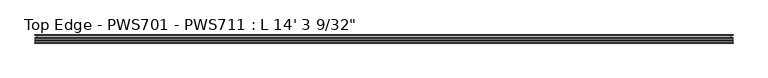
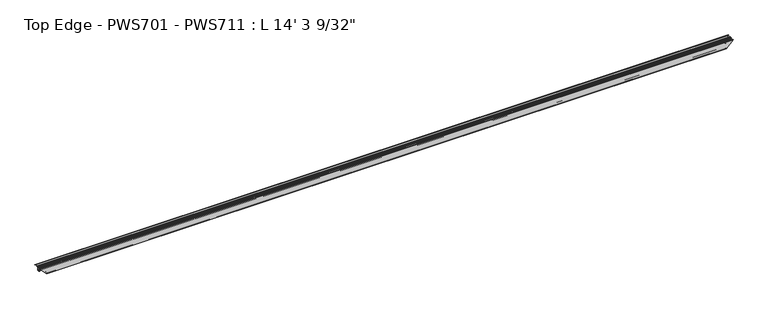
"""IFC4 building model written with IfcOpenShell, lengths in millimetres: proxy geometry."""

from ifc_helpers import new_model, si_unit, point, frame, frame_2d, origin, place, context, project, spatial, polyline, circle_curve, ellipse_curve, trimmed, segment, composite_curve, outline, extrude, source, transform, mapped, element, save
from ifc_brep_helpers import plane_surface, cylinder_surface, revolved_surface, advanced_brep


def proxy_9cc9b7ef(model_context):
    return source(origin(), model_context, "Body", "SolidModel", [
        extrude(outline(composite_curve([segment(trimmed(circle_curve(frame_2d((44.7430936, 1.1429206)), 1.1429206), [point((44.7430936, 0.0))], [point((43.6245, 0.9083659))], False, "CARTESIAN"), True, "CONTINUOUS"), segment(polyline([(43.6245, 0.9083659), (43.6245, 1.6997088), (44.5135, 1.6997088), (44.5135, 4.207924)]), True, "CONTINUOUS"), segment(trimmed(circle_curve(frame_2d((41.4694327, 3.2089841)), 3.2037832), [point((44.5135, 4.207924))], [point((42.1005, 6.35))], True, "CARTESIAN"), True, "CONTINUOUS"), segment(trimmed(circle_curve(frame_2d((42.7315673, 3.2089841)), 3.2037832), [point((42.1005, 6.35))], [point((39.6875, 4.207924))], True, "CARTESIAN"), True, "CONTINUOUS"), segment(polyline([(39.6875, 4.207924), (39.6875, 1.6997088), (40.5340531, 1.6997088)]), True, "CONTINUOUS"), segment(trimmed(circle_curve(frame_2d((39.4755121, 1.3351034)), 1.1195742), [point((40.5340531, 1.6997088))], [point((40.4372806, 0.762))], False, "CARTESIAN"), True, "CONTINUOUS"), segment(polyline([(40.4372806, 0.762), (38.1, 0.762), (38.1, 4.4357599)]), True, "CONTINUOUS"), segment(trimmed(circle_curve(frame_2d((42.7315673, 3.2089841)), 4.7912832), [point((38.1, 4.4357599))], [point((42.1005, 7.9585261))], False, "CARTESIAN"), True, "CONTINUOUS"), segment(trimmed(circle_curve(frame_2d((41.4694327, 3.2089841)), 4.7912832), [point((42.1005, 7.9585261))], [point((46.101, 4.4357599))], False, "CARTESIAN"), True, "CONTINUOUS"), segment(polyline([(46.101, 4.4357599), (46.101, 2.38252)]), True, "CONTINUOUS"), segment(trimmed(circle_curve(frame_2d((46.89602, 2.38252)), 0.79502), [point((46.101, 2.38252))], [point((46.89602, 1.5875))], True, "CARTESIAN"), True, "CONTINUOUS"), segment(polyline([(46.89602, 1.5875), (48.3102252, 1.5875)]), True, "CONTINUOUS"), segment(trimmed(circle_curve(frame_2d((48.3102252, 2.38252)), 0.79502), [point((48.3102252, 1.5875))], [point((49.1052452, 2.38252))], True, "CARTESIAN"), True, "CONTINUOUS"), segment(polyline([(49.1052452, 2.38252), (49.1052452, 23.2016903)]), True, "CONTINUOUS"), segment(trimmed(circle_curve(frame_2d((44.0047652, 21.7797652)), 5.2949756), [point((49.1052452, 23.2016903))], [point((44.9619826, 26.9875))], True, "CARTESIAN"), True, "CONTINUOUS"), segment(polyline([(44.9619826, 26.9875), (34.76625, 26.9875)]), True, "CONTINUOUS"), segment(trimmed(circle_curve(frame_2d((34.76625, 27.78125)), 0.79375), [point((34.76625, 26.9875))], [point((34.76625, 28.575))], False, "CARTESIAN"), True, "CONTINUOUS"), segment(polyline([(34.76625, 28.575), (49.2125, 28.575), (49.2125, 26.543), (50.8, 26.543), (50.8, 0.0), (44.7430936, 0.0)]), True, "CONTINUOUS")], self_intersect=False)), frame((17.9109688, 0.0, 0.0), z_axis=(1.0, 0.0, 0.0), x_axis=(0.0, 1.0, 0.0)), (0.0, 0.0, 1.0), 4314.7257812),
        advanced_brep(
        [(4306.09375, 0.0, 0.0), (44.45, 0.0, 0.0), (44.45, 6.0569064, 0.0), (4306.09375, 6.0569064, 0.0), (43.5416341, 7.1755, 0.9083659), (4307.0021159, 7.1755, 0.9083659), (42.7502912, 7.1755, 1.6997088), (4307.7934588, 7.1755, 1.6997088), (42.7502912, 6.2865, 1.6997088), (4307.7934588, 6.2865, 1.6997088), (40.242076, 6.2865, 4.207924), (4310.301674, 6.2865, 4.207924), (38.1, 8.6995, 6.35), (4312.44375, 8.6995, 6.35), (40.242076, 11.1125, 4.207924), (4310.301674, 11.1125, 4.207924), (42.7502912, 11.1125, 1.6997088), (4307.7934588, 11.1125, 1.6997088), (42.7502912, 10.2659469, 1.6997088), (4307.7934588, 10.2659469, 1.6997088), (43.688, 10.3627194, 0.762), (4306.85575, 10.3627194, 0.762), (43.688, 12.7, 0.762), (4306.85575, 12.7, 0.762), (40.0142401, 12.7, 4.4357599), (4310.5295099, 12.7, 4.4357599), (36.4914739, 8.6995, 7.9585261), (4314.0522761, 8.6995, 7.9585261), (40.0142401, 4.699, 4.4357599), (4310.5295099, 4.699, 4.4357599), (42.8625, 4.699, 1.5875), (4307.68125, 4.699, 1.5875), (42.8625, 3.175, 1.5875), (4307.68125, 3.175, 1.5875), (41.275, 1.5875, 3.175), (4309.26875, 1.5875, 3.175), (19.05, 1.5875, 25.4), (4331.49375, 1.5875, 25.4), (6.35, 2.38252, 38.1), (4344.19375, 2.38252, 38.1), (4.7625, 3.97002, 39.6875), (4345.78125, 3.97002, 39.6875), (4.7625, 15.875, 39.6875), (4345.78125, 15.875, 39.6875), (6.35, 17.4625, 38.1), (4344.19375, 17.4625, 38.1), (15.875, 17.4625, 28.575), (4334.66875, 17.4625, 28.575), (17.4625, 15.875, 26.9875), (4333.08125, 15.875, 26.9875), (19.05, 15.875, 25.4), (4331.49375, 15.875, 25.4), (19.05, 19.05, 25.4), (4331.49375, 19.05, 25.4), (6.35, 19.05, 38.1), (4344.19375, 19.05, 38.1), (4.7625, 20.6375, 39.6875), (4345.78125, 20.6375, 39.6875), (4.7625, 30.1625, 39.6875), (4345.78125, 30.1625, 39.6875), (6.35, 31.75, 38.1), (4344.19375, 31.75, 38.1), (19.05, 31.75, 25.4), (4331.49375, 31.75, 25.4), (19.05, 36.35375, 25.4), (4331.49375, 36.35375, 25.4), (18.25752, 36.35375, 26.19248), (4332.28623, 36.35375, 26.19248), (17.4625, 35.55873, 26.9875), (4333.08125, 35.55873, 26.9875), (17.4625, 33.9725, 26.9875), (4333.08125, 33.9725, 26.9875), (15.875, 33.9725, 28.575), (4334.66875, 33.9725, 28.575), (15.875, 49.2125, 28.575), (4334.66875, 49.2125, 28.575), (17.907, 49.2125, 26.543), (4332.63675, 49.2125, 26.543), (17.907, 50.8, 26.543), (4332.63675, 50.8, 26.543), (0.0, 50.8, 44.45), (4350.54375, 50.8, 44.45), (0.0, 49.2125, 44.45), (4350.54375, 49.2125, 44.45), (12.7, 49.2125, 31.75), (4337.84375, 49.2125, 31.75), (14.2875, 47.625, 30.1625), (4336.25625, 47.625, 30.1625), (14.2875, 34.925, 30.1625), (4336.25625, 34.925, 30.1625), (12.7, 33.3375, 31.75), (4337.84375, 33.3375, 31.75), (0.0, 33.3375, 44.45), (4350.54375, 33.3375, 44.45), (0.0, 31.75, 44.45), (4350.54375, 31.75, 44.45), (1.5875, 31.75, 42.8625), (4348.95625, 31.75, 42.8625), (3.175, 30.1625, 41.275), (4347.36875, 30.1625, 41.275), (3.175, 20.6375, 41.275), (4347.36875, 20.6375, 41.275), (1.5875, 19.05, 42.8625), (4348.95625, 19.05, 42.8625), (0.0, 19.05, 44.45), (4350.54375, 19.05, 44.45), (0.0, 17.4625, 44.45), (4350.54375, 17.4625, 44.45), (1.5875, 17.4625, 42.8625), (4348.95625, 17.4625, 42.8625), (3.175, 15.875, 41.275), (4347.36875, 15.875, 41.275), (3.175, 3.175, 41.275), (4347.36875, 3.175, 41.275), (1.5875, 1.5875, 42.8625), (4348.95625, 1.5875, 42.8625), (0.0, 1.5875, 44.45), (4350.54375, 1.5875, 44.45), (0.0, 0.0, 44.45), (4350.54375, 0.0, 44.45)],
        [
            (0, 1),
            (1, 2),
            (2, 3),
            (3, 0),
            (2, 4, ellipse_curve(frame((43.3070794, 6.0569064, 1.1429206), z_axis=(0.707106781186549, 0.0, 0.7071067811865461), x_axis=(0.707106781186546, 0.0, -0.7071067811865491)), 1.6163338, 1.1429206)),
            (4, 5),
            (5, 3, ellipse_curve(frame((4307.2366706, 6.0569064, 1.1429206), z_axis=(-0.7071067811865475, 0.0, 0.7071067811865477), x_axis=(0.7071067811865475, 0.0, 0.7071067811865475)), 1.6163338, 1.1429206)),
            (4, 6),
            (6, 7),
            (7, 5),
            (6, 8),
            (8, 9),
            (9, 7),
            (8, 10),
            (10, 11),
            (11, 9),
            (10, 12, ellipse_curve(frame((41.2410159, 9.3305673, 3.2089841), z_axis=(-0.707106781186549, 0.0, -0.7071067811865461), x_axis=(-0.707106781186546, 0.0, 0.7071067811865491)), 4.5308337, 3.2037832)),
            (12, 13),
            (13, 11, ellipse_curve(frame((4309.3027341, 9.3305673, 3.2089841), z_axis=(0.7071067811865475, 0.0, -0.7071067811865477), x_axis=(-0.7071067811865475, 0.0, -0.7071067811865475)), 4.5308337, 3.2037832)),
            (12, 14, ellipse_curve(frame((41.2410159, 8.0684327, 3.2089841), z_axis=(-0.707106781186549, 0.0, -0.7071067811865461), x_axis=(-0.707106781186546, 0.0, 0.7071067811865491)), 4.5308337, 3.2037832)),
            (14, 15),
            (15, 13, ellipse_curve(frame((4309.3027341, 8.0684327, 3.2089841), z_axis=(0.7071067811865475, 0.0, -0.7071067811865477), x_axis=(-0.7071067811865475, 0.0, -0.7071067811865475)), 4.5308337, 3.2037832)),
            (14, 16),
            (16, 17),
            (17, 15),
            (16, 18),
            (18, 19),
            (19, 17),
            (18, 20, ellipse_curve(frame((43.1148966, 11.3244879, 1.3351034), z_axis=(0.707106781186549, 0.0, 0.7071067811865461), x_axis=(0.707106781186546, 0.0, -0.7071067811865491)), 1.583317, 1.1195742)),
            (20, 21),
            (21, 19, ellipse_curve(frame((4307.4288534, 11.3244879, 1.3351034), z_axis=(-0.7071067811865475, 0.0, 0.7071067811865477), x_axis=(0.7071067811865475, 0.0, 0.7071067811865475)), 1.583317, 1.1195742)),
            (20, 22),
            (22, 23),
            (23, 21),
            (22, 24),
            (24, 25),
            (25, 23),
            (24, 26, ellipse_curve(frame((41.2410159, 8.0684327, 3.2089841), z_axis=(0.707106781186549, 0.0, 0.7071067811865461), x_axis=(0.707106781186546, 0.0, -0.7071067811865491)), 6.7758977, 4.7912832)),
            (26, 27),
            (27, 25, ellipse_curve(frame((4309.3027341, 8.0684327, 3.2089841), z_axis=(-0.7071067811865475, 0.0, 0.7071067811865477), x_axis=(0.7071067811865475, 0.0, 0.7071067811865475)), 6.7758977, 4.7912832)),
            (26, 28, ellipse_curve(frame((41.2410159, 9.3305673, 3.2089841), z_axis=(0.707106781186549, 0.0, 0.7071067811865461), x_axis=(0.707106781186546, 0.0, -0.7071067811865491)), 6.7758977, 4.7912832)),
            (28, 29),
            (29, 27, ellipse_curve(frame((4309.3027341, 9.3305673, 3.2089841), z_axis=(-0.7071067811865475, 0.0, 0.7071067811865477), x_axis=(0.7071067811865475, 0.0, 0.7071067811865475)), 6.7758977, 4.7912832)),
            (28, 30),
            (30, 31),
            (31, 29),
            (30, 32),
            (32, 33),
            (33, 31),
            (32, 34, ellipse_curve(frame((41.275, 3.175, 3.175), z_axis=(-0.707106781186549, 0.0, -0.7071067811865461), x_axis=(-0.707106781186546, 0.0, 0.7071067811865491)), 2.245064, 1.5875)),
            (34, 35),
            (35, 33, ellipse_curve(frame((4309.26875, 3.175, 3.175), z_axis=(0.7071067811865475, 0.0, -0.7071067811865477), x_axis=(-0.7071067811865475, 0.0, -0.7071067811865475)), 2.245064, 1.5875)),
            (34, 36),
            (36, 37),
            (37, 35),
            (36, 38),
            (38, 39),
            (39, 37),
            (38, 40, ellipse_curve(frame((6.35, 3.97002, 38.1), z_axis=(-0.707106781186549, 0.0, -0.7071067811865461), x_axis=(-0.707106781186546, 0.0, 0.7071067811865491)), 2.245064, 1.5875)),
            (40, 41),
            (41, 39, ellipse_curve(frame((4344.19375, 3.97002, 38.1), z_axis=(0.7071067811865475, 0.0, -0.7071067811865477), x_axis=(-0.7071067811865475, 0.0, -0.7071067811865475)), 2.245064, 1.5875)),
            (40, 42),
            (42, 43),
            (43, 41),
            (42, 44, ellipse_curve(frame((6.35, 15.875, 38.1), z_axis=(-0.707106781186549, 0.0, -0.7071067811865461), x_axis=(-0.707106781186546, 0.0, 0.7071067811865491)), 2.245064, 1.5875)),
            (44, 45),
            (45, 43, ellipse_curve(frame((4344.19375, 15.875, 38.1), z_axis=(0.7071067811865475, 0.0, -0.7071067811865477), x_axis=(-0.7071067811865475, 0.0, -0.7071067811865475)), 2.245064, 1.5875)),
            (44, 46),
            (46, 47),
            (47, 45),
            (46, 48, ellipse_curve(frame((15.875, 15.875, 28.575), z_axis=(-0.707106781186549, 0.0, -0.7071067811865461), x_axis=(-0.707106781186546, 0.0, 0.7071067811865491)), 2.245064, 1.5875)),
            (48, 49),
            (49, 47, ellipse_curve(frame((4334.66875, 15.875, 28.575), z_axis=(0.7071067811865475, 0.0, -0.7071067811865477), x_axis=(-0.7071067811865475, 0.0, -0.7071067811865475)), 2.245064, 1.5875)),
            (48, 50),
            (50, 51),
            (51, 49),
            (50, 52),
            (52, 53),
            (53, 51),
            (52, 54),
            (54, 55),
            (55, 53),
            (54, 56, ellipse_curve(frame((6.35, 20.6375, 38.1), z_axis=(-0.707106781186549, 0.0, -0.7071067811865461), x_axis=(-0.707106781186546, 0.0, 0.7071067811865491)), 2.245064, 1.5875)),
            (56, 57),
            (57, 55, ellipse_curve(frame((4344.19375, 20.6375, 38.1), z_axis=(0.7071067811865475, 0.0, -0.7071067811865477), x_axis=(-0.7071067811865475, 0.0, -0.7071067811865475)), 2.245064, 1.5875)),
            (56, 58),
            (58, 59),
            (59, 57),
            (58, 60, ellipse_curve(frame((6.35, 30.1625, 38.1), z_axis=(-0.707106781186549, 0.0, -0.7071067811865461), x_axis=(-0.707106781186546, 0.0, 0.7071067811865491)), 2.245064, 1.5875)),
            (60, 61),
            (61, 59, ellipse_curve(frame((4344.19375, 30.1625, 38.1), z_axis=(0.7071067811865475, 0.0, -0.7071067811865477), x_axis=(-0.7071067811865475, 0.0, -0.7071067811865475)), 2.245064, 1.5875)),
            (60, 62),
            (62, 63),
            (63, 61),
            (62, 64),
            (64, 65),
            (65, 63),
            (64, 66),
            (66, 67),
            (67, 65),
            (66, 68, ellipse_curve(frame((18.25752, 35.55873, 26.19248), z_axis=(0.707106781186549, 0.0, 0.7071067811865461), x_axis=(0.707106781186546, 0.0, -0.7071067811865491)), 1.1243281, 0.79502)),
            (68, 69),
            (69, 67, ellipse_curve(frame((4332.28623, 35.55873, 26.19248), z_axis=(-0.7071067811865475, 0.0, 0.7071067811865477), x_axis=(0.7071067811865475, 0.0, 0.7071067811865475)), 1.1243281, 0.79502)),
            (68, 70),
            (70, 71),
            (71, 69),
            (70, 72),
            (72, 73),
            (73, 71),
            (72, 74),
            (74, 75),
            (75, 73),
            (74, 76),
            (76, 77),
            (77, 75),
            (76, 78),
            (78, 79),
            (79, 77),
            (80, 81),
            (81, 79),
            (78, 80),
            (80, 82),
            (82, 83),
            (83, 81),
            (82, 84),
            (84, 85),
            (85, 83),
            (84, 86, ellipse_curve(frame((12.7, 47.625, 31.75), z_axis=(-0.707106781186549, 0.0, -0.7071067811865461), x_axis=(-0.707106781186546, 0.0, 0.7071067811865491)), 2.245064, 1.5875)),
            (86, 87),
            (87, 85, ellipse_curve(frame((4337.84375, 47.625, 31.75), z_axis=(0.7071067811865475, 0.0, -0.7071067811865477), x_axis=(-0.7071067811865475, 0.0, -0.7071067811865475)), 2.245064, 1.5875)),
            (86, 88),
            (88, 89),
            (89, 87),
            (88, 90, ellipse_curve(frame((12.7, 34.925, 31.75), z_axis=(-0.707106781186549, 0.0, -0.7071067811865461), x_axis=(-0.707106781186546, 0.0, 0.7071067811865491)), 2.245064, 1.5875)),
            (90, 91),
            (91, 89, ellipse_curve(frame((4337.84375, 34.925, 31.75), z_axis=(0.7071067811865475, 0.0, -0.7071067811865477), x_axis=(-0.7071067811865475, 0.0, -0.7071067811865475)), 2.245064, 1.5875)),
            (92, 93),
            (93, 91),
            (90, 92),
            (92, 94),
            (94, 95),
            (95, 93),
            (94, 96),
            (96, 97),
            (97, 95),
            (96, 98, ellipse_curve(frame((1.5875, 30.1625, 42.8625), z_axis=(-0.707106781186549, 0.0, -0.7071067811865461), x_axis=(-0.707106781186546, 0.0, 0.7071067811865491)), 2.245064, 1.5875)),
            (98, 99),
            (99, 97, ellipse_curve(frame((4348.95625, 30.1625, 42.8625), z_axis=(0.7071067811865475, 0.0, -0.7071067811865477), x_axis=(-0.7071067811865475, 0.0, -0.7071067811865475)), 2.245064, 1.5875)),
            (98, 100),
            (100, 101),
            (101, 99),
            (100, 102, ellipse_curve(frame((1.5875, 20.6375, 42.8625), z_axis=(-0.707106781186549, 0.0, -0.7071067811865461), x_axis=(-0.707106781186546, 0.0, 0.7071067811865491)), 2.245064, 1.5875)),
            (102, 103),
            (103, 101, ellipse_curve(frame((4348.95625, 20.6375, 42.8625), z_axis=(0.7071067811865475, 0.0, -0.7071067811865477), x_axis=(-0.7071067811865475, 0.0, -0.7071067811865475)), 2.245064, 1.5875)),
            (104, 105),
            (105, 103),
            (102, 104),
            (104, 106),
            (106, 107),
            (107, 105),
            (106, 108),
            (108, 109),
            (109, 107),
            (108, 110, ellipse_curve(frame((1.5875, 15.875, 42.8625), z_axis=(-0.707106781186549, 0.0, -0.7071067811865461), x_axis=(-0.707106781186546, 0.0, 0.7071067811865491)), 2.245064, 1.5875)),
            (110, 111),
            (111, 109, ellipse_curve(frame((4348.95625, 15.875, 42.8625), z_axis=(0.7071067811865475, 0.0, -0.7071067811865477), x_axis=(-0.7071067811865475, 0.0, -0.7071067811865475)), 2.245064, 1.5875)),
            (110, 112),
            (112, 113),
            (113, 111),
            (112, 114, ellipse_curve(frame((1.5875, 3.175, 42.8625), z_axis=(-0.707106781186549, 0.0, -0.7071067811865461), x_axis=(-0.707106781186546, 0.0, 0.7071067811865491)), 2.245064, 1.5875)),
            (114, 115),
            (115, 113, ellipse_curve(frame((4348.95625, 3.175, 42.8625), z_axis=(0.7071067811865475, 0.0, -0.7071067811865477), x_axis=(-0.7071067811865475, 0.0, -0.7071067811865475)), 2.245064, 1.5875)),
            (116, 117),
            (117, 115),
            (114, 116),
            (116, 118),
            (118, 119),
            (119, 117),
            (118, 1),
            (0, 119),
        ],
        [
            plane_surface(frame((4350.54375, 0.0, 0.0), z_axis=(0.0, 0.0, -1.0), x_axis=(-1.0, 0.0, 0.0))),
            cylinder_surface(frame((0.0, 6.0569064, 1.1429206), z_axis=(1.0, 0.0, 0.0), x_axis=(0.0, 1.0, 0.0)), 1.1429206),
            plane_surface(frame((4350.54375, 7.1755, 0.9083659), z_axis=(0.0, 1.0, 0.0), x_axis=(-1.0, 0.0, 0.0))),
            plane_surface(frame((4350.54375, 7.1755, 1.6997088), z_axis=(0.0, 0.0, 1.0), x_axis=(-1.0, 0.0, 0.0))),
            plane_surface(frame((4350.54375, 6.2865, 1.6997088), z_axis=(0.0, 1.0, 0.0), x_axis=(-1.0, 0.0, 0.0))),
            revolved_surface(polyline([(38.03723266630147, 12.5343505, 3.2089841), (4312.506517333698, 12.5343505, 3.2089841)]), (0.0, 9.3305673, 3.2089841), (-1.0, 0.0, 0.0)),
            revolved_surface(polyline([(38.03723266630147, 11.2722159, 3.2089841), (4312.506517333698, 11.2722159, 3.2089841)]), (0.0, 8.0684327, 3.2089841), (-1.0, 0.0, 0.0)),
            plane_surface(frame((4350.54375, 11.1125, 4.207924), z_axis=(0.0, -1.0, 0.0), x_axis=(-1.0, 0.0, 0.0))),
            plane_surface(frame((4350.54375, 11.1125, 1.6997088), z_axis=(0.0, 0.0, 1.0), x_axis=(-1.0, 0.0, 0.0))),
            cylinder_surface(frame((0.0, 11.3244879, 1.3351034), z_axis=(1.0, 0.0, 0.0), x_axis=(0.0, 1.0, 0.0)), 1.1195742),
            plane_surface(frame((4350.54375, 10.3627194, 0.762), z_axis=(0.0, 0.0, -1.0), x_axis=(-1.0, 0.0, 0.0))),
            plane_surface(frame((4350.54375, 12.7, 0.762), z_axis=(0.0, 1.0, 0.0), x_axis=(-1.0, 0.0, 0.0))),
            cylinder_surface(frame((0.0, 8.0684327, 3.2089841), z_axis=(1.0, 0.0, 0.0), x_axis=(0.0, 1.0, 0.0)), 4.7912832),
            cylinder_surface(frame((0.0, 9.3305673, 3.2089841), z_axis=(1.0, 0.0, 0.0), x_axis=(0.0, 1.0, 0.0)), 4.7912832),
            plane_surface(frame((4350.54375, 4.699, 4.4357599), z_axis=(0.0, -1.0, 0.0), x_axis=(-1.0, 0.0, 0.0))),
            plane_surface(frame((4350.54375, 4.699, 1.5875), z_axis=(0.0, 0.0, 1.0), x_axis=(-1.0, 0.0, 0.0))),
            revolved_surface(polyline([(39.68750002140221, 4.762499999999999, 3.175), (4310.856249978598, 4.762499999999999, 3.175)]), (0.0, 3.175, 3.175), (-1.0, 0.0, 0.0)),
            plane_surface(frame((4350.54375, 1.5875, 3.175), z_axis=(0.0, 1.0, 0.0), x_axis=(-1.0, 0.0, 0.0))),
            plane_surface(frame((4350.54375, 1.5875, 25.4), z_axis=(0.0, 0.9980463600132392, -0.06247770213703277), x_axis=(-1.0, 0.0, 0.0))),
            revolved_surface(polyline([(4.7625, 5.55752, 38.1), (4345.78125, 5.55752, 38.1)]), (0.0, 3.97002, 38.1), (-1.0, 0.0, 0.0)),
            plane_surface(frame((4350.54375, 3.97002, 39.6875), z_axis=(0.0, 0.0, -1.0), x_axis=(-1.0, 0.0, 0.0))),
            revolved_surface(polyline([(4.7625, 17.4625, 38.1), (4345.78125, 17.4625, 38.1)]), (0.0, 15.875, 38.1), (-1.0, 0.0, 0.0)),
            plane_surface(frame((4350.54375, 17.4625, 38.1), z_axis=(0.0, -1.0, 0.0), x_axis=(-1.0, 0.0, 0.0))),
            revolved_surface(polyline([(14.287500021402208, 17.4625, 28.575), (4336.256249978597, 17.4625, 28.575)]), (0.0, 15.875, 28.575), (-1.0, 0.0, 0.0)),
            plane_surface(frame((4350.54375, 15.875, 26.9875), z_axis=(0.0, -1.0, 0.0), x_axis=(-1.0, 0.0, 0.0))),
            plane_surface(frame((4350.54375, 15.875, 25.4), z_axis=(0.0, 0.0, -1.0), x_axis=(-1.0, 0.0, 0.0))),
            plane_surface(frame((4350.54375, 19.05, 25.4), z_axis=(0.0, 1.0, 0.0), x_axis=(-1.0, 0.0, 0.0))),
            revolved_surface(polyline([(4.7625, 22.224999999999998, 38.1), (4345.78125, 22.224999999999998, 38.1)]), (0.0, 20.6375, 38.1), (-1.0, 0.0, 0.0)),
            plane_surface(frame((4350.54375, 20.6375, 39.6875), z_axis=(0.0, 0.0, -1.0), x_axis=(-1.0, 0.0, 0.0))),
            revolved_surface(polyline([(4.7625, 31.75, 38.1), (4345.78125, 31.75, 38.1)]), (0.0, 30.1625, 38.1), (-1.0, 0.0, 0.0)),
            plane_surface(frame((4350.54375, 31.75, 38.1), z_axis=(0.0, -1.0, 0.0), x_axis=(-1.0, 0.0, 0.0))),
            plane_surface(frame((4350.54375, 31.75, 25.4), z_axis=(0.0, 0.0, -1.0), x_axis=(-1.0, 0.0, 0.0))),
            plane_surface(frame((4350.54375, 36.35375, 25.4), z_axis=(0.0, 1.0, 2.2044332171670636e-12), x_axis=(-1.0, 0.0, 0.0))),
            cylinder_surface(frame((0.0, 35.55873, 26.19248), z_axis=(1.0, 0.0, 0.0), x_axis=(0.0, 1.0, 0.0)), 0.79502),
            plane_surface(frame((4350.54375, 35.55873, 26.9875), z_axis=(0.0, 0.0, 1.0), x_axis=(-1.0, 0.0, 0.0))),
            plane_surface(frame((4350.54375, 33.9725, 26.9875), z_axis=(0.0, 1.0, 0.0), x_axis=(-1.0, 0.0, 0.0))),
            plane_surface(frame((4350.54375, 33.9725, 28.575), z_axis=(0.0, 0.0, -1.0), x_axis=(-1.0, 0.0, 0.0))),
            plane_surface(frame((4350.54375, 49.2125, 28.575), z_axis=(0.0, -1.0, 0.0), x_axis=(-1.0, 0.0, 0.0))),
            plane_surface(frame((4350.54375, 49.2125, 26.543), z_axis=(0.0, 0.0, -1.0), x_axis=(-1.0, 0.0, 0.0))),
            plane_surface(frame((4350.54375, 50.8, 26.543), z_axis=(0.0, 1.0, 0.0), x_axis=(-1.0, 0.0, 0.0))),
            plane_surface(frame((4350.54375, 50.8, 44.45), z_axis=(0.0, 0.0, 1.0), x_axis=(-1.0, 0.0, 0.0))),
            plane_surface(frame((4350.54375, 49.2125, 44.45), z_axis=(0.0, -1.0, 0.0), x_axis=(-1.0, 0.0, 0.0))),
            revolved_surface(polyline([(11.112500021402207, 49.2125, 31.75), (4339.431249978597, 49.2125, 31.75)]), (0.0, 47.625, 31.75), (-1.0, 0.0, 0.0)),
            plane_surface(frame((4350.54375, 47.625, 30.1625), z_axis=(0.0, 0.0, 1.0), x_axis=(-1.0, 0.0, 0.0))),
            revolved_surface(polyline([(11.112500021402207, 36.512499999999996, 31.75), (4339.431249978597, 36.512499999999996, 31.75)]), (0.0, 34.925, 31.75), (-1.0, 0.0, 0.0)),
            plane_surface(frame((4350.54375, 33.3375, 31.75), z_axis=(0.0, 1.0, 0.0), x_axis=(-1.0, 0.0, 0.0))),
            plane_surface(frame((4350.54375, 33.3375, 44.45), z_axis=(0.0, 0.0, 1.0), x_axis=(-1.0, 0.0, 0.0))),
            plane_surface(frame((4350.54375, 31.75, 44.45), z_axis=(0.0, -1.0, 0.0), x_axis=(-1.0, 0.0, 0.0))),
            revolved_surface(polyline([(2.1402208005838474e-08, 31.75, 42.8625), (4350.543749978598, 31.75, 42.8625)]), (0.0, 30.1625, 42.8625), (-1.0, 0.0, 0.0)),
            plane_surface(frame((4350.54375, 30.1625, 41.275), z_axis=(0.0, 0.0, 1.0), x_axis=(-1.0, 0.0, 0.0))),
            revolved_surface(polyline([(2.1402208005838474e-08, 22.224999999999998, 42.8625), (4350.543749978598, 22.224999999999998, 42.8625)]), (0.0, 20.6375, 42.8625), (-1.0, 0.0, 0.0)),
            plane_surface(frame((4350.54375, 19.05, 42.8625), z_axis=(0.0, 1.0, 0.0), x_axis=(-1.0, 0.0, 0.0))),
            plane_surface(frame((4350.54375, 19.05, 44.45), z_axis=(0.0, 0.0, 1.0), x_axis=(-1.0, 0.0, 0.0))),
            plane_surface(frame((4350.54375, 17.4625, 44.45), z_axis=(0.0, -1.0, 0.0), x_axis=(-1.0, 0.0, 0.0))),
            revolved_surface(polyline([(2.1402208005838474e-08, 17.4625, 42.8625), (4350.543749978598, 17.4625, 42.8625)]), (0.0, 15.875, 42.8625), (-1.0, 0.0, 0.0)),
            plane_surface(frame((4350.54375, 15.875, 41.275), z_axis=(0.0, 0.0, 1.0), x_axis=(-1.0, 0.0, 0.0))),
            revolved_surface(polyline([(2.1402208005838474e-08, 4.762499999999999, 42.8625), (4350.543749978598, 4.762499999999999, 42.8625)]), (0.0, 3.175, 42.8625), (-1.0, 0.0, 0.0)),
            plane_surface(frame((4350.54375, 1.5875, 42.8625), z_axis=(0.0, 1.0, 0.0), x_axis=(-1.0, 0.0, 0.0))),
            plane_surface(frame((4350.54375, 1.5875, 44.45), z_axis=(0.0, 0.0, 1.0), x_axis=(-1.0, 0.0, 0.0))),
            plane_surface(frame((4350.54375, 0.0, 44.45), z_axis=(0.0, -1.0, 0.0), x_axis=(-1.0, 0.0, 0.0))),
            plane_surface(frame((44.45, 0.0, 0.0), z_axis=(-0.707106781186549, 0.0, -0.7071067811865461), x_axis=(0.0, 1.0, 0.0))),
            plane_surface(frame((4350.54375, 0.0, 44.45), z_axis=(0.7071067811865475, 0.0, -0.7071067811865477), x_axis=(0.0, 1.0, 0.0))),
        ],
        [
            (0, [[1, 2, 3, 4]]),
            (1, [[-3, 5, 6, 7]]),
            (2, [[-6, 8, 9, 10]]),
            (3, [[-9, 11, 12, 13]]),
            (4, [[-12, 14, 15, 16]]),
            (5, [[-15, 17, 18, 19]]),
            (6, [[-18, 20, 21, 22]]),
            (7, [[-21, 23, 24, 25]]),
            (8, [[-24, 26, 27, 28]]),
            (9, [[-27, 29, 30, 31]]),
            (10, [[-30, 32, 33, 34]]),
            (11, [[-33, 35, 36, 37]]),
            (12, [[-36, 38, 39, 40]]),
            (13, [[-39, 41, 42, 43]]),
            (14, [[-42, 44, 45, 46]]),
            (15, [[-45, 47, 48, 49]]),
            (16, [[-48, 50, 51, 52]]),
            (17, [[-51, 53, 54, 55]]),
            (18, [[-54, 56, 57, 58]]),
            (19, [[-57, 59, 60, 61]]),
            (20, [[-60, 62, 63, 64]]),
            (21, [[-63, 65, 66, 67]]),
            (22, [[-66, 68, 69, 70]]),
            (23, [[-69, 71, 72, 73]]),
            (24, [[-72, 74, 75, 76]]),
            (25, [[-75, 77, 78, 79]]),
            (26, [[-78, 80, 81, 82]]),
            (27, [[-81, 83, 84, 85]]),
            (28, [[-84, 86, 87, 88]]),
            (29, [[-87, 89, 90, 91]]),
            (30, [[-90, 92, 93, 94]]),
            (31, [[-93, 95, 96, 97]]),
            (32, [[-96, 98, 99, 100]]),
            (33, [[-99, 101, 102, 103]]),
            (34, [[-102, 104, 105, 106]]),
            (35, [[-105, 107, 108, 109]]),
            (36, [[-108, 110, 111, 112]]),
            (37, [[-111, 113, 114, 115]]),
            (38, [[-114, 116, 117, 118]]),
            (39, [[119, 120, -117, 121]]),
            (40, [[-119, 122, 123, 124]]),
            (41, [[-123, 125, 126, 127]]),
            (42, [[-126, 128, 129, 130]]),
            (43, [[-129, 131, 132, 133]]),
            (44, [[-132, 134, 135, 136]]),
            (45, [[137, 138, -135, 139]]),
            (46, [[-137, 140, 141, 142]]),
            (47, [[-141, 143, 144, 145]]),
            (48, [[-144, 146, 147, 148]]),
            (49, [[-147, 149, 150, 151]]),
            (50, [[-150, 152, 153, 154]]),
            (51, [[155, 156, -153, 157]]),
            (52, [[-155, 158, 159, 160]]),
            (53, [[-159, 161, 162, 163]]),
            (54, [[-162, 164, 165, 166]]),
            (55, [[-165, 167, 168, 169]]),
            (56, [[-168, 170, 171, 172]]),
            (57, [[173, 174, -171, 175]]),
            (58, [[-173, 176, 177, 178]]),
            (59, [[-177, 179, -1, 180]]),
            (60, [[-2, -179, -176, -175, -170, -167, -164, -161, -158, -157, -152, -149, -146, -143, -140, -139, -134, -131, -128, -125, -122, -121, -116, -113, -110, -107, -104, -101, -98, -95, -92, -89, -86, -83, -80, -77, -74, -71, -68, -65, -62, -59, -56, -53, -50, -47, -44, -41, -38, -35, -32, -29, -26, -23, -20, -17, -14, -11, -8, -5]]),
            (61, [[-4, -7, -10, -13, -16, -19, -22, -25, -28, -31, -34, -37, -40, -43, -46, -49, -52, -55, -58, -61, -64, -67, -70, -73, -76, -79, -82, -85, -88, -91, -94, -97, -100, -103, -106, -109, -112, -115, -118, -120, -124, -127, -130, -133, -136, -138, -142, -145, -148, -151, -154, -156, -160, -163, -166, -169, -172, -174, -178, -180]]),
        ],
    ),
    ])


if __name__ == "__main__":
    model = new_model("IFC4")
    model_context = context("Model", 3, world=origin())
    ifc_project = project(units=[si_unit("LENGTHUNIT", "METRE", prefix="MILLI")], contexts=[model_context])
    site = spatial("IfcSite", under=ifc_project)
    building = spatial("IfcBuilding", under=site)
    placement = place(None, origin())
    proxy_shape = proxy_9cc9b7ef(model_context)
    element("IfcBuildingElementProxy", 1, Name="Top Edge - PWS701 - PWS711 : L 14' 3 9/32\"", ObjectType="Top Edge - PWS701 - PWS711 : L 14' 3 9/32\"", at=placement, inside=building, context=model_context, shape_type="MappedRepresentation", body=[
        mapped(proxy_shape, transform((0.0, 0.0, 0.0), x_axis=(1.0, 0.0, 0.0), y_axis=(0.0, 1.0, 0.0), z_axis=(0.0, 0.0, 1.0))),
    ])
    save(model, "model.ifc")
